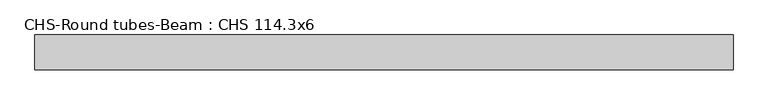
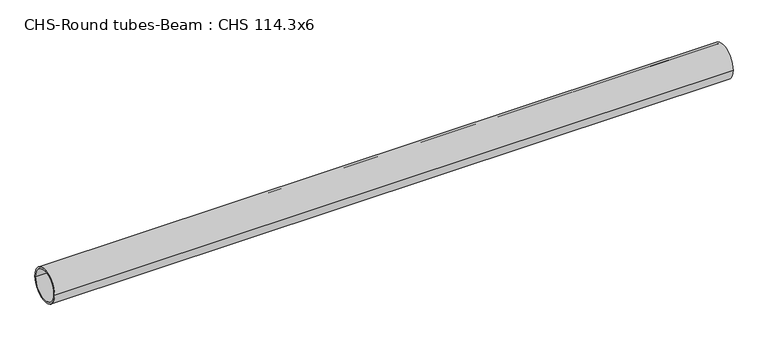
"""IFC4 building model written with IfcOpenShell, lengths in millimetres: beam geometry, CHS-Round tubes-Beam : CHS 114.3x6."""

from ifc_helpers import new_model, si_unit, point, frame, origin, origin_2d, place, context, project, spatial, circle_curve, trimmed, segment, composite_curve, outline, extrude, source, transform, mapped, element, save


def chs_round_tubes_beam_chs_114_3x6_66ebd573(model_context):
    return source(origin(), model_context, "Body", "SweptSolid", [
        extrude(outline(composite_curve([segment(trimmed(circle_curve(origin_2d(), 57.15), [point((57.15, 0.0))], [point((-57.15, 0.0))], False, "CARTESIAN"), True, "CONTINUOUS"), segment(trimmed(circle_curve(origin_2d(), 57.15), [point((-57.15, 0.0))], [point((57.15, 0.0))], False, "CARTESIAN"), True, "CONTINUOUS")], self_intersect=False), holes=[composite_curve([segment(trimmed(circle_curve(origin_2d(), 51.15), [point((51.15, 0.0))], [point((-51.15, 0.0))], True, "CARTESIAN"), True, "CONTINUOUS"), segment(trimmed(circle_curve(origin_2d(), 51.15), [point((-51.15, 0.0))], [point((51.15, 0.0))], True, "CARTESIAN"), True, "CONTINUOUS")], self_intersect=False)]), frame((-1108.6258042, 0.0, 0.0), z_axis=(1.0, 0.0, 0.0), x_axis=(0.0, 1.0, 0.0)), (0.0, 0.0, 1.0), 2292.043181),
    ])


if __name__ == "__main__":
    model = new_model("IFC4")
    model_context = context("Model", 3, world=origin())
    ifc_project = project(units=[si_unit("LENGTHUNIT", "METRE", prefix="MILLI")], contexts=[model_context])
    site = spatial("IfcSite", under=ifc_project)
    building = spatial("IfcBuilding", under=site)
    placement = place(None, origin())
    chs_round_tubes_beam_chs_114_3x6_shape = chs_round_tubes_beam_chs_114_3x6_66ebd573(model_context)
    element("IfcBeam", 1, ObjectType="CHS-Round tubes-Beam : CHS 114.3x6", at=placement, inside=building, context=model_context, shape_type="MappedRepresentation", body=[
        mapped(chs_round_tubes_beam_chs_114_3x6_shape, transform((0.0, 0.0, 0.0), x_axis=(1.0, 0.0, 0.0), y_axis=(0.0, 1.0, 0.0), z_axis=(0.0, 0.0, 1.0))),
    ])
    save(model, "model.ifc")
